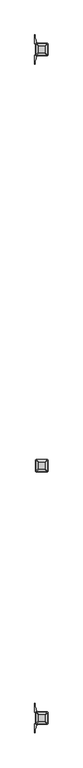
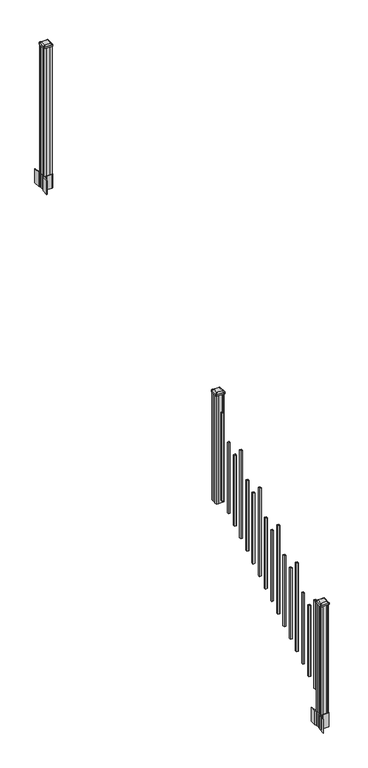
"""IFC4 building model written with IfcOpenShell, lengths in millimetres: railing geometry."""

import ifcopenshell
import ifcopenshell.guid

model = None  # the IFC model being written
_history = None  # IfcOwnerHistory: only IFC2X3 demands one
_inside = {}  # id of a spatial element -> (the spatial element, [elements in it])
_under = {}  # id of a project, library or spatial element -> (it, [spatial elements below it])
_declared = {}  # id of a project -> (the project, [libraries it declares])
_typed = {}  # id of a type object -> (the type object, [elements of that type])
_made_of = {}  # id of a material, layer set ... -> (it, [elements and type objects made of it])


def new_model(schema):
    """Start an empty IFC model of exactly this schema.

    Asked for "IFC4X3", IfcOpenShell would pick the latest addendum, in which some entities
    have other attributes; the version numbers below select the first issue.
    IFC2X3 requires an IfcOwnerHistory on every rooted entity: one is made here for all.
    """
    global model, _history
    if schema == "IFC4X3":
        model = ifcopenshell.file(schema_version=(4, 3, 0, 0))
    else:
        model = ifcopenshell.file(schema=schema)
    _inside.clear()
    _under.clear()
    _declared.clear()
    _typed.clear()
    _made_of.clear()
    _history = None
    if model.schema == "IFC2X3":
        org = make("IfcOrganization", Name="unknown")
        user = make(
            "IfcPersonAndOrganization",
            ThePerson=make("IfcPerson", FamilyName="unknown"),
            TheOrganization=org,
        )
        app = make(
            "IfcApplication",
            ApplicationDeveloper=org,
            Version="unknown",
            ApplicationFullName="unknown",
            ApplicationIdentifier="unknown",
        )
        _history = make(
            "IfcOwnerHistory",
            OwningUser=user,
            OwningApplication=app,
            ChangeAction="ADDED",
            CreationDate=0,
        )
    return model


def make(cls, **values):
    """One entity of the class cls with the attributes given. An attribute that is None is left unset."""
    return model.create_entity(
        cls, **{name: value for name, value in values.items() if value is not None}
    )


def rooted(cls, **values):
    """An entity with a GlobalId (a new one), such as an element, a storey or a relation."""
    return make(cls, GlobalId=ifcopenshell.guid.new(), OwnerHistory=_history, **values)


def si_unit(unit_type, name, prefix=None):
    """IfcSIUnit, for example si_unit("LENGTHUNIT", "METRE", prefix="MILLI")."""
    return make("IfcSIUnit", UnitType=unit_type, Prefix=prefix, Name=name)


def assignment(units):
    """IfcUnitAssignment: the units of a project."""
    return None if units is None else make("IfcUnitAssignment", Units=units)


def point(xyz):
    """IfcCartesianPoint."""
    return None if xyz is None else make("IfcCartesianPoint", Coordinates=xyz)


def direction(xyz):
    """IfcDirection."""
    return None if xyz is None else make("IfcDirection", DirectionRatios=xyz)


def frame(location, z_axis=None, x_axis=None):
    """IfcAxis2Placement3D, a coordinate frame: its origin and axes. An axis left out is left unset."""
    return make(
        "IfcAxis2Placement3D",
        Location=point(location),
        Axis=direction(z_axis),
        RefDirection=direction(x_axis),
    )


def frame_2d(location, x_axis=None):
    """IfcAxis2Placement2D, a coordinate frame in the plane: its origin and x axis."""
    return make(
        "IfcAxis2Placement2D", Location=point(location), RefDirection=direction(x_axis)
    )


def origin():
    """The frame at (0, 0, 0) with its axes left unset."""
    return frame((0.0, 0.0, 0.0))


def place(relative_to, where):
    """IfcLocalPlacement: puts the frame where relative to a parent placement (None: the world)."""
    return make(
        "IfcLocalPlacement", PlacementRelTo=relative_to, RelativePlacement=where
    )


def context(
    kind, dimensions, precision=None, world=None, true_north=None, identifier=None
):
    """IfcGeometricRepresentationContext, for example the 3D "Model" context."""
    return make(
        "IfcGeometricRepresentationContext",
        ContextIdentifier=identifier,
        ContextType=kind,
        CoordinateSpaceDimension=dimensions,
        Precision=precision,
        WorldCoordinateSystem=world,
        TrueNorth=true_north,
    )


def project(units=None, contexts=None):
    """IfcProject with its units and contexts."""
    return rooted(
        "IfcProject",
        Name="project",
        RepresentationContexts=contexts,
        UnitsInContext=assignment(units),
    )


def spatial(cls, under=None, at=None, **own):
    """A site, building, storey or space (cls), placed at a placement, below another one or the project."""
    s = rooted(cls, ObjectPlacement=at, **own)
    if under is not None:
        _under.setdefault(under.id(), (under, []))[1].append(s)
    return s


def polyline(points):
    """IfcPolyline through the points."""
    return make("IfcPolyline", Points=[point(p) for p in points])


def circle_curve(where, radius):
    """IfcCircle in the frame where."""
    return make("IfcCircle", Position=where, Radius=radius)


def trimmed(basis, trim1, trim2, sense, master):
    """IfcTrimmedCurve: the piece of a basis curve between two trims."""
    return make(
        "IfcTrimmedCurve",
        BasisCurve=basis,
        Trim1=trim1,
        Trim2=trim2,
        SenseAgreement=sense,
        MasterRepresentation=master,
    )


def segment(curve, same_sense, transition):
    """IfcCompositeCurveSegment."""
    return make(
        "IfcCompositeCurveSegment",
        Transition=transition,
        SameSense=same_sense,
        ParentCurve=curve,
    )


def composite_curve(segments, self_intersect=None):
    """IfcCompositeCurve: segments joined end to end."""
    return make("IfcCompositeCurve", Segments=segments, SelfIntersect=self_intersect)


def outline(outer, holes=None, kind="AREA"):
    """IfcArbitraryClosedProfileDef: a profile drawn as a closed curve; with holes, ...WithVoids."""
    if holes is None:
        return make("IfcArbitraryClosedProfileDef", ProfileType=kind, OuterCurve=outer)
    return make(
        "IfcArbitraryProfileDefWithVoids",
        ProfileType=kind,
        OuterCurve=outer,
        InnerCurves=holes,
    )


def extrude(swept, where, along, depth):
    """IfcExtrudedAreaSolid: the profile swept, set in the frame where, extruded along a direction by depth."""
    return make(
        "IfcExtrudedAreaSolid",
        SweptArea=swept,
        Position=where,
        ExtrudedDirection=direction(along),
        Depth=depth,
    )


def shape(context_of_items, identifier, shape_type, items):
    """IfcShapeRepresentation: the items that make up one representation, for example the "Body"."""
    return make(
        "IfcShapeRepresentation",
        ContextOfItems=context_of_items,
        RepresentationIdentifier=identifier,
        RepresentationType=shape_type,
        Items=items,
    )


def source(mapping_origin, context_of_items, identifier, shape_type, items):
    """IfcRepresentationMap: a shape defined once, which mapped items show again and again."""
    return make(
        "IfcRepresentationMap",
        MappingOrigin=mapping_origin,
        MappedRepresentation=shape(context_of_items, identifier, shape_type, items),
    )


def transform(
    local_origin,
    x_axis=None,
    y_axis=None,
    z_axis=None,
    scale=None,
    scale2=None,
    scale3=None,
    uniform=True,
):
    """IfcCartesianTransformationOperator3D, or its non-uniform kind. x_axis, y_axis, z_axis: its Axis1, 2, 3."""
    if uniform:
        return make(
            "IfcCartesianTransformationOperator3D",
            Axis1=direction(x_axis),
            Axis2=direction(y_axis),
            LocalOrigin=point(local_origin),
            Scale=scale,
            Axis3=direction(z_axis),
        )
    return make(
        "IfcCartesianTransformationOperator3DnonUniform",
        Axis1=direction(x_axis),
        Axis2=direction(y_axis),
        LocalOrigin=point(local_origin),
        Scale=scale,
        Axis3=direction(z_axis),
        Scale2=scale2,
        Scale3=scale3,
    )


def mapped(mapping_source, mapping_target):
    """IfcMappedItem: shows the shape of a source again, moved by a transform."""
    return make(
        "IfcMappedItem", MappingSource=mapping_source, MappingTarget=mapping_target
    )


def made_of(thing, what):
    """Note that an element or type object is made of a material, layer set ...; save() writes the relation."""
    if what is not None:
        _made_of.setdefault(what.id(), (what, []))[1].append(thing)
    return thing


def element(
    cls,
    number,
    at=None,
    inside=None,
    cuts=None,
    type_object=None,
    material=None,
    context=None,
    identifier="Body",
    shape_type=None,
    held_by="IfcProductDefinitionShape",
    body=None,
    shapes=None,
    **own,
):
    """One element of the class cls, such as IfcWall. Its Tag is "e" and its number.

    at: its placement. inside: the storey or other place that contains it. cuts: it is an
    opening in that element (IfcRelVoidsElement). A single representation is given by context,
    identifier, shape_type and body (its items); several are given by shapes. held_by: the class
    of the entity that holds the representations. save() writes the other relations.
    """
    e = rooted(cls, Tag="e%d" % number, ObjectPlacement=at, **own)
    if body is not None:
        shapes = [shape(context, identifier, shape_type, body)]
    if shapes is not None:
        e.Representation = make(held_by, Representations=shapes)
    if inside is not None:
        _inside.setdefault(inside.id(), (inside, []))[1].append(e)
    if cuts is not None:
        rooted(
            "IfcRelVoidsElement", RelatingBuildingElement=cuts, RelatedOpeningElement=e
        )
    if type_object is not None:
        _typed.setdefault(type_object.id(), (type_object, []))[1].append(e)
    return made_of(e, material)


def aggregate(whole, parts):
    """IfcRelAggregates: a whole, such as a stair, and the parts it consists of."""
    return rooted("IfcRelAggregates", RelatingObject=whole, RelatedObjects=parts)


def save(model, path):
    """Write the relations noted so far, then the file.

    IfcRelAggregates (storeys below a building ...), IfcRelContainedInSpatialStructure (elements
    in a storey), IfcRelDefinesByType, IfcRelAssociatesMaterial and IfcRelDeclares: one each for
    every whole, place, type object, material and project.
    """
    for whole, parts in _under.values():
        aggregate(whole, parts)
    for where, things in _inside.values():
        rooted(
            "IfcRelContainedInSpatialStructure",
            RelatedElements=things,
            RelatingStructure=where,
        )
    for kind, things in _typed.values():
        rooted("IfcRelDefinesByType", RelatedObjects=things, RelatingType=kind)
    for what, things in _made_of.values():
        rooted("IfcRelAssociatesMaterial", RelatedObjects=things, RelatingMaterial=what)
    for by, libraries in _declared.values():
        rooted("IfcRelDeclares", RelatingContext=by, RelatedDefinitions=libraries)
    model.write(path)


def plane_surface(at):
    """IfcPlane: the flat surface through the origin of the frame at, square to its z axis."""
    return make("IfcPlane", Position=at)


def extruded_surface(curve, direction_of_extrusion, depth):
    """IfcSurfaceOfLinearExtrusion: the curve pushed along a direction by depth."""
    return make(
        "IfcSurfaceOfLinearExtrusion",
        SweptCurve=make("IfcArbitraryOpenProfileDef", ProfileType="CURVE", Curve=curve),
        ExtrudedDirection=direction(direction_of_extrusion),
        Depth=depth,
    )


def advanced_brep(points, edges, surfaces, faces):
    """IfcAdvancedBrep: a solid bounded by faces that lie on surfaces and meet in shared edges.

    An edge is (start, end): straight between two places in points (the first is 0);
    or (start, end, curve); or (start, end, curve, False) where it runs against its curve.
    A face is (place in surfaces, loops), or (place, loops, False) where it looks against
    its surface's normal. A loop lists edges by number (the first is 1), with a minus sign
    where the edge is run from its end to its start. The first loop is the outer one.
    """
    corners = [point(p) for p in points]
    vertices = [make("IfcVertexPoint", VertexGeometry=c) for c in corners]
    made = []
    for start, end, *more in edges:
        made.append(
            make(
                "IfcEdgeCurve",
                EdgeStart=vertices[start],
                EdgeEnd=vertices[end],
                EdgeGeometry=more[0] if more else make("IfcPolyline", Points=[corners[start], corners[end]]),
                SameSense=more[1] if len(more) > 1 else True,
            )
        )
    hull = []
    for where, loops, *sense in faces:
        bounds = []
        for j, loop in enumerate(loops):
            ring = [make("IfcOrientedEdge", EdgeElement=made[abs(k) - 1], Orientation=k > 0) for k in loop]
            bounds.append(
                make(
                    "IfcFaceOuterBound" if j == 0 else "IfcFaceBound",
                    Bound=make("IfcEdgeLoop", EdgeList=ring),
                    Orientation=True,
                )
            )
        hull.append(make("IfcAdvancedFace", Bounds=bounds, FaceSurface=surfaces[where], SameSense=sense[0] if sense else True))
    return make("IfcAdvancedBrep", Outer=make("IfcClosedShell", CfsFaces=hull))


def railing_3c290ba8(model_context):
    return source(origin(), model_context, "Body", "SolidModel", [
        advanced_brep(
        [(9677.4407728, -127566.6027203, 2547.109263), (9729.0345228, -127566.6027203, 2547.109263), (9732.2095228, -127563.4277203, 2547.109263), (9732.2095228, -127511.8339703, 2547.109263), (9729.0345228, -127508.6589703, 2547.109263), (9677.4407728, -127508.6589703, 2547.109263), (9674.2657728, -127511.8339703, 2547.109263), (9674.2657728, -127563.4277203, 2547.109263), (9661.1688978, -127582.8745953, 2535.806263), (9657.9938978, -127579.6995953, 2535.806263), (9657.9938978, -127495.5620953, 2535.806263), (9661.1688978, -127492.3870953, 2535.806263), (9745.3063978, -127492.3870953, 2535.806263), (9748.4813978, -127495.5620953, 2535.806263), (9748.4813978, -127579.6995953, 2535.806263), (9745.3063978, -127582.8745953, 2535.806263)],
        [
            (0, 1),
            (1, 2, circle_curve(frame((9729.0345228, -127563.4277203, 2547.109263), z_axis=(0.0, 0.0, 1.0), x_axis=(0.0, 1.0, 0.0)), 3.175)),
            (2, 3),
            (3, 4, circle_curve(frame((9729.0345228, -127511.8339703, 2547.109263), z_axis=(0.0, 0.0, 1.0), x_axis=(0.0, 1.0, 0.0)), 3.175)),
            (4, 5),
            (5, 6, circle_curve(frame((9677.4407728, -127511.8339703, 2547.109263), z_axis=(0.0, 0.0, 1.0), x_axis=(0.0, 1.0, 0.0)), 3.175)),
            (6, 7),
            (7, 0, circle_curve(frame((9677.4407728, -127563.4277203, 2547.109263), z_axis=(0.0, 0.0, 1.0), x_axis=(0.0, 1.0, 0.0)), 3.175)),
            (8, 9, circle_curve(frame((9661.1688978, -127579.6995953, 2535.806263), z_axis=(0.0, 0.0, -1.0), x_axis=(0.0, 1.0, 0.0)), 3.175)),
            (9, 10),
            (10, 11, circle_curve(frame((9661.1688978, -127495.5620953, 2535.806263), z_axis=(0.0, 0.0, -1.0), x_axis=(0.0, 1.0, 0.0)), 3.175)),
            (11, 12),
            (12, 13, circle_curve(frame((9745.3063978, -127495.5620953, 2535.806263), z_axis=(0.0, 0.0, -1.0), x_axis=(0.0, 1.0, 0.0)), 3.175)),
            (13, 14),
            (14, 15, circle_curve(frame((9745.3063978, -127579.6995953, 2535.806263), z_axis=(0.0, 0.0, -1.0), x_axis=(0.0, 1.0, 0.0)), 3.175)),
            (15, 8),
            (8, 0),
            (7, 9),
            (6, 10),
            (5, 11),
            (4, 12),
            (3, 13),
            (2, 14),
            (1, 15),
        ],
        [
            plane_surface(frame((9703.2376478, -127537.6308453, 2547.109263), z_axis=(0.0, 0.0, 1.0), x_axis=(-1.0, 0.0, 0.0))),
            plane_surface(frame((9703.2376478, -127537.6308453, 2535.806263), z_axis=(0.0, 0.0, -1.0), x_axis=(-1.0, 0.0, 0.0))),
            extruded_surface(trimmed(circle_curve(frame((9677.4407728, -127563.4277203, 2547.109263), z_axis=(0.0, 0.0, -1.0), x_axis=(0.0, 1.0, 0.0)), 3.175), [point((9677.4407728, -127566.6027203, 2547.109263))], [point((9674.2657728, -127563.4277203, 2547.109263))], True, "CARTESIAN"), (-16.271875000000364, -16.27187500000582, -11.302999999999884), 25.637972638870036),
            plane_surface(frame((9657.9938978, -127537.6308453, 2535.806263), z_axis=(-0.5705009161540778, 0.0, 0.8212969649690408), x_axis=(0.0, 1.0, 0.0))),
            extruded_surface(trimmed(circle_curve(frame((9677.4407728, -127511.8339703, 2547.109263), z_axis=(0.0, 0.0, -1.0), x_axis=(0.0, 1.0, 0.0)), 3.175), [point((9674.2657728, -127511.8339703, 2547.109263))], [point((9677.4407728, -127508.6589703, 2547.109263))], True, "CARTESIAN"), (-16.271875000000364, 16.27187499999127, -11.302999999999884), 25.637972638860802),
            plane_surface(frame((9703.2376478, -127492.3870953, 2535.806263), z_axis=(0.0, 0.5705009161540291, 0.8212969649690747), x_axis=(1.0, 0.0, 0.0))),
            extruded_surface(trimmed(circle_curve(frame((9729.0345228, -127511.8339703, 2547.109263), z_axis=(0.0, 0.0, -1.0), x_axis=(0.0, 1.0, 0.0)), 3.175), [point((9729.0345228, -127508.6589703, 2547.109263))], [point((9732.2095228, -127511.8339703, 2547.109263))], True, "CARTESIAN"), (16.271874999998545, 16.27187499999127, -11.302999999999884), 25.637972638859644),
            plane_surface(frame((9748.4813978, -127537.6308453, 2535.806263), z_axis=(0.5705009161540142, 0.0, 0.8212969649690851), x_axis=(0.0, -1.0, 0.0))),
            extruded_surface(trimmed(circle_curve(frame((9729.0345228, -127563.4277203, 2547.109263), z_axis=(0.0, 0.0, -1.0), x_axis=(0.0, 1.0, 0.0)), 3.175), [point((9732.2095228, -127563.4277203, 2547.109263))], [point((9729.0345228, -127566.6027203, 2547.109263))], True, "CARTESIAN"), (16.271874999998545, -16.27187500000582, -11.302999999999884), 25.63797263886888),
            plane_surface(frame((9703.2376478, -127582.8745953, 2535.806263), z_axis=(0.0, -0.570500916154034, 0.8212969649690713), x_axis=(-1.0, 0.0, 0.0))),
        ],
        [
            (0, [[1, 2, 3, 4, 5, 6, 7, 8]]),
            (1, [[9, 10, 11, 12, 13, 14, 15, 16]]),
            (2, [[17, -8, 18, -9]]),
            (3, [[-18, -7, 19, -10]]),
            (4, [[-19, -6, 20, -11]]),
            (5, [[-20, -5, 21, -12]]),
            (6, [[-21, -4, 22, -13]]),
            (7, [[-22, -3, 23, -14]]),
            (8, [[-23, -2, 24, -15]]),
            (9, [[-24, -1, -17, -16]]),
        ],
    ),
        extrude(outline(composite_curve([segment(trimmed(circle_curve(frame_2d((9661.1688978, -127579.6995953)), 3.175), [point((9661.1688978, -127582.8745953))], [point((9657.9938978, -127579.6995953))], False, "CARTESIAN"), True, "CONTINUOUS"), segment(polyline([(9657.9938978, -127579.6995953), (9657.9938978, -127495.5620953)]), True, "CONTINUOUS"), segment(trimmed(circle_curve(frame_2d((9661.1688978, -127495.5620953)), 3.175), [point((9657.9938978, -127495.5620953))], [point((9661.1688978, -127492.3870953))], False, "CARTESIAN"), True, "CONTINUOUS"), segment(polyline([(9661.1688978, -127492.3870953), (9745.3063978, -127492.3870953)]), True, "CONTINUOUS"), segment(trimmed(circle_curve(frame_2d((9745.3063978, -127495.5620953)), 3.175), [point((9745.3063978, -127492.3870953))], [point((9748.4813978, -127495.5620953))], False, "CARTESIAN"), True, "CONTINUOUS"), segment(polyline([(9748.4813978, -127495.5620953), (9748.4813978, -127579.6995953)]), True, "CONTINUOUS"), segment(trimmed(circle_curve(frame_2d((9745.3063978, -127579.6995953)), 3.175), [point((9748.4813978, -127579.6995953))], [point((9745.3063978, -127582.8745953))], False, "CARTESIAN"), True, "CONTINUOUS"), segment(polyline([(9745.3063978, -127582.8745953), (9661.1688978, -127582.8745953)]), True, "CONTINUOUS")], self_intersect=False)), frame((0.0, 0.0, 2518.534263), z_axis=(0.0, 0.0, 1.0), x_axis=(1.0, 0.0, 0.0)), (0.0, 0.0, 1.0), 17.272),
        extrude(outline(polyline([(9663.5501478, -127578.9058453), (9661.9626478, -127577.3183453), (9661.9626478, -127557.6968453), (9663.5501478, -127556.9348453), (9663.5501478, -127518.3268453), (9661.9626478, -127517.5648453), (9661.9626478, -127497.9433453), (9663.5501478, -127496.3558453), (9683.1716478, -127496.3558453), (9683.9336478, -127497.9433453), (9722.5416478, -127497.9433453), (9723.3036478, -127496.3558453), (9742.9251478, -127496.3558453), (9744.5126478, -127497.9433453), (9744.5126478, -127517.5648453), (9742.9251478, -127518.3268453), (9742.9251478, -127556.9348453), (9744.5126478, -127557.6968453), (9744.5126478, -127577.3183453), (9742.9251478, -127578.9058453), (9723.3036478, -127578.9058453), (9722.5416478, -127577.3183453), (9683.9336478, -127577.3183453), (9683.1716478, -127578.9058453), (9663.5501478, -127578.9058453)])), frame((0.0, 0.0, 1334.77), z_axis=(0.0, 0.0, 1.0), x_axis=(1.0, 0.0, 0.0)), (0.0, 0.0, 1.0), 1183.764263),
        extrude(outline(polyline([(9712.7626478, -127628.1818453), (9693.7126478, -127628.1818453), (9693.7126478, -127609.1318453), (9712.7626478, -127609.1318453), (9712.7626478, -127628.1818453)]), holes=[polyline([(9712.3657728, -127627.7849703), (9712.3657728, -127609.5287203), (9694.1095228, -127609.5287203), (9694.1095228, -127627.7849703), (9712.3657728, -127627.7849703)])]), frame((0.0, 0.0, 1385.7246281), z_axis=(0.0, 0.0, 1.0), x_axis=(1.0, 0.0, 0.0)), (0.0, 0.0, 1.0), 965.2041219),
        extrude(outline(polyline([(9712.7626478, -127739.4338453), (9693.7126478, -127739.4338453), (9693.7126478, -127720.3838453), (9712.7626478, -127720.3838453), (9712.7626478, -127739.4338453)]), holes=[polyline([(9712.3657728, -127739.0369703), (9712.3657728, -127720.7807203), (9694.1095228, -127720.7807203), (9694.1095228, -127739.0369703), (9712.3657728, -127739.0369703)])]), frame((0.0, 0.0, 1316.1921281), z_axis=(0.0, 0.0, 1.0), x_axis=(1.0, 0.0, 0.0)), (0.0, 0.0, 1.0), 774.7041219),
        extrude(outline(polyline([(9712.7626478, -127850.6858453), (9693.7126478, -127850.6858453), (9693.7126478, -127831.6358453), (9712.7626478, -127831.6358453), (9712.7626478, -127850.6858453)]), holes=[polyline([(9712.3657728, -127850.2889703), (9712.3657728, -127832.0327203), (9694.1095228, -127832.0327203), (9694.1095228, -127850.2889703), (9712.3657728, -127850.2889703)])]), frame((0.0, 0.0, 1246.6596281), z_axis=(0.0, 0.0, 1.0), x_axis=(1.0, 0.0, 0.0)), (0.0, 0.0, 1.0), 774.7041219),
        extrude(outline(polyline([(9712.7626478, -127961.9378453), (9693.7126478, -127961.9378453), (9693.7126478, -127942.8878453), (9712.7626478, -127942.8878453), (9712.7626478, -127961.9378453)]), holes=[polyline([(9712.3657728, -127961.5409703), (9712.3657728, -127943.2847203), (9694.1095228, -127943.2847203), (9694.1095228, -127961.5409703), (9712.3657728, -127961.5409703)])]), frame((0.0, 0.0, 1177.1271281), z_axis=(0.0, 0.0, 1.0), x_axis=(1.0, 0.0, 0.0)), (0.0, 0.0, 1.0), 965.2041219),
        extrude(outline(polyline([(9712.7626478, -128073.1898453), (9693.7126478, -128073.1898453), (9693.7126478, -128054.1398453), (9712.7626478, -128054.1398453), (9712.7626478, -128073.1898453)]), holes=[polyline([(9712.3657728, -128072.7929703), (9712.3657728, -128054.5367203), (9694.1095228, -128054.5367203), (9694.1095228, -128072.7929703), (9712.3657728, -128072.7929703)])]), frame((0.0, 0.0, 1107.5946281), z_axis=(0.0, 0.0, 1.0), x_axis=(1.0, 0.0, 0.0)), (0.0, 0.0, 1.0), 774.7041219),
        extrude(outline(polyline([(9712.7626478, -128184.4418453), (9693.7126478, -128184.4418453), (9693.7126478, -128165.3918453), (9712.7626478, -128165.3918453), (9712.7626478, -128184.4418453)]), holes=[polyline([(9712.3657728, -128184.0449703), (9712.3657728, -128165.7887203), (9694.1095228, -128165.7887203), (9694.1095228, -128184.0449703), (9712.3657728, -128184.0449703)])]), frame((0.0, 0.0, 1038.0621281), z_axis=(0.0, 0.0, 1.0), x_axis=(1.0, 0.0, 0.0)), (0.0, 0.0, 1.0), 774.7041219),
        extrude(outline(polyline([(9712.7626478, -128295.6938453), (9693.7126478, -128295.6938453), (9693.7126478, -128276.6438453), (9712.7626478, -128276.6438453), (9712.7626478, -128295.6938453)]), holes=[polyline([(9712.3657728, -128295.2969703), (9712.3657728, -128277.0407203), (9694.1095228, -128277.0407203), (9694.1095228, -128295.2969703), (9712.3657728, -128295.2969703)])]), frame((0.0, 0.0, 968.5296281), z_axis=(0.0, 0.0, 1.0), x_axis=(1.0, 0.0, 0.0)), (0.0, 0.0, 1.0), 965.2041219),
        extrude(outline(polyline([(9712.7626478, -128406.9458453), (9693.7126478, -128406.9458453), (9693.7126478, -128387.8958453), (9712.7626478, -128387.8958453), (9712.7626478, -128406.9458453)]), holes=[polyline([(9712.3657728, -128406.5489703), (9712.3657728, -128388.2927203), (9694.1095228, -128388.2927203), (9694.1095228, -128406.5489703), (9712.3657728, -128406.5489703)])]), frame((0.0, 0.0, 898.9971281), z_axis=(0.0, 0.0, 1.0), x_axis=(1.0, 0.0, 0.0)), (0.0, 0.0, 1.0), 774.7041219),
        extrude(outline(polyline([(9712.7626478, -128518.1978453), (9693.7126478, -128518.1978453), (9693.7126478, -128499.1478453), (9712.7626478, -128499.1478453), (9712.7626478, -128518.1978453)]), holes=[polyline([(9712.3657728, -128517.8009703), (9712.3657728, -128499.5447203), (9694.1095228, -128499.5447203), (9694.1095228, -128517.8009703), (9712.3657728, -128517.8009703)])]), frame((0.0, 0.0, 829.4646281), z_axis=(0.0, 0.0, 1.0), x_axis=(1.0, 0.0, 0.0)), (0.0, 0.0, 1.0), 774.7041219),
        extrude(outline(polyline([(9712.7626478, -128629.4498453), (9693.7126478, -128629.4498453), (9693.7126478, -128610.3998453), (9712.7626478, -128610.3998453), (9712.7626478, -128629.4498453)]), holes=[polyline([(9712.3657728, -128629.0529703), (9712.3657728, -128610.7967203), (9694.1095228, -128610.7967203), (9694.1095228, -128629.0529703), (9712.3657728, -128629.0529703)])]), frame((0.0, 0.0, 759.9321281), z_axis=(0.0, 0.0, 1.0), x_axis=(1.0, 0.0, 0.0)), (0.0, 0.0, 1.0), 965.2041219),
        extrude(outline(polyline([(9712.7626478, -128740.7018453), (9693.7126478, -128740.7018453), (9693.7126478, -128721.6518453), (9712.7626478, -128721.6518453), (9712.7626478, -128740.7018453)]), holes=[polyline([(9712.3657728, -128740.3049703), (9712.3657728, -128722.0487203), (9694.1095228, -128722.0487203), (9694.1095228, -128740.3049703), (9712.3657728, -128740.3049703)])]), frame((0.0, 0.0, 690.3996281), z_axis=(0.0, 0.0, 1.0), x_axis=(1.0, 0.0, 0.0)), (0.0, 0.0, 1.0), 774.7041219),
        extrude(outline(polyline([(9712.7626478, -128851.9538453), (9693.7126478, -128851.9538453), (9693.7126478, -128832.9038453), (9712.7626478, -128832.9038453), (9712.7626478, -128851.9538453)]), holes=[polyline([(9712.3657728, -128851.5569703), (9712.3657728, -128833.3007203), (9694.1095228, -128833.3007203), (9694.1095228, -128851.5569703), (9712.3657728, -128851.5569703)])]), frame((0.0, 0.0, 620.8671281), z_axis=(0.0, 0.0, 1.0), x_axis=(1.0, 0.0, 0.0)), (0.0, 0.0, 1.0), 774.7041219),
        extrude(outline(polyline([(9712.7626478, -128963.2058453), (9693.7126478, -128963.2058453), (9693.7126478, -128944.1558453), (9712.7626478, -128944.1558453), (9712.7626478, -128963.2058453)]), holes=[polyline([(9712.3657728, -128962.8089703), (9712.3657728, -128944.5527203), (9694.1095228, -128944.5527203), (9694.1095228, -128962.8089703), (9712.3657728, -128962.8089703)])]), frame((0.0, 0.0, 551.3346281), z_axis=(0.0, 0.0, 1.0), x_axis=(1.0, 0.0, 0.0)), (0.0, 0.0, 1.0), 965.2041219),
        extrude(outline(polyline([(9712.7626478, -129074.4578453), (9693.7126478, -129074.4578453), (9693.7126478, -129055.4078453), (9712.7626478, -129055.4078453), (9712.7626478, -129074.4578453)]), holes=[polyline([(9712.3657728, -129074.0609703), (9712.3657728, -129055.8047203), (9694.1095228, -129055.8047203), (9694.1095228, -129074.0609703), (9712.3657728, -129074.0609703)])]), frame((0.0, 0.0, 481.8021281), z_axis=(0.0, 0.0, 1.0), x_axis=(1.0, 0.0, 0.0)), (0.0, 0.0, 1.0), 774.7041219),
        extrude(outline(polyline([(9712.7626478, -129185.7098453), (9693.7126478, -129185.7098453), (9693.7126478, -129166.6598453), (9712.7626478, -129166.6598453), (9712.7626478, -129185.7098453)]), holes=[polyline([(9712.3657728, -129185.3129703), (9712.3657728, -129167.0567203), (9694.1095228, -129167.0567203), (9694.1095228, -129185.3129703), (9712.3657728, -129185.3129703)])]), frame((0.0, 0.0, 412.2696281), z_axis=(0.0, 0.0, 1.0), x_axis=(1.0, 0.0, 0.0)), (0.0, 0.0, 1.0), 774.7041219),
        extrude(outline(polyline([(9712.7626478, -129296.9618453), (9693.7126478, -129296.9618453), (9693.7126478, -129277.9118453), (9712.7626478, -129277.9118453), (9712.7626478, -129296.9618453)]), holes=[polyline([(9712.3657728, -129296.5649703), (9712.3657728, -129278.3087203), (9694.1095228, -129278.3087203), (9694.1095228, -129296.5649703), (9712.3657728, -129296.5649703)])]), frame((0.0, 0.0, 342.7371281), z_axis=(0.0, 0.0, 1.0), x_axis=(1.0, 0.0, 0.0)), (0.0, 0.0, 1.0), 965.2041219),
        extrude(outline(polyline([(9663.5501478, -124491.5358453), (9661.9626478, -124489.9483453), (9661.9626478, -124470.3268453), (9663.5501478, -124469.5648453), (9663.5501478, -124430.9568453), (9661.9626478, -124430.1948453), (9661.9626478, -124410.5733453), (9663.5501478, -124408.9858453), (9683.1716478, -124408.9858453), (9683.9336478, -124410.5733453), (9722.5416478, -124410.5733453), (9723.3036478, -124408.9858453), (9742.9251478, -124408.9858453), (9744.5126478, -124410.5733453), (9744.5126478, -124430.1948453), (9742.9251478, -124430.9568453), (9742.9251478, -124469.5648453), (9744.5126478, -124470.3268453), (9744.5126478, -124489.9483453), (9742.9251478, -124491.5358453), (9723.3036478, -124491.5358453), (9722.5416478, -124489.9483453), (9683.9336478, -124489.9483453), (9683.1716478, -124491.5358453), (9663.5501478, -124491.5358453)])), frame((0.0, 0.0, 3048.0), z_axis=(0.0, 0.0, 1.0), x_axis=(1.0, 0.0, 0.0)), (0.0, 0.0, 1.0), 1400.140513),
        extrude(outline(composite_curve([segment(polyline([(9745.9731478, -124467.6469401), (9747.5606478, -124468.4089401), (9747.5606478, -124491.2108682), (9744.1876707, -124494.5838453), (9682.7279999, -124494.5838453), (9682.7279999, -124495.5045953), (9677.4104561, -124495.5045953), (9677.4104561, -124496.95885), (9672.3259264, -124496.95885), (9672.3259264, -124498.2428738), (9670.6586541, -124498.2428738)]), True, "CONTINUOUS"), segment(trimmed(circle_curve(frame_2d((9670.6586541, -124505.3023337)), 7.0594599), [point((9670.6586541, -124498.2428738))], [point((9663.8913912, -124503.292327))], True, "CARTESIAN"), True, "CONTINUOUS"), segment(polyline([(9663.8913912, -124503.292327), (9656.0171969, -124529.8030561)]), True, "CONTINUOUS"), segment(trimmed(circle_curve(frame_2d((9710.8017103, -124546.0751057)), 57.15), [point((9656.0171969, -124529.8030561))], [point((9653.6517103, -124546.0751057))], True, "CARTESIAN"), True, "CONTINUOUS"), segment(polyline([(9653.6517103, -124546.0751057), (9653.6517103, -124558.0838453), (9650.6517103, -124558.0838453), (9650.6517103, -124492.9963453), (9658.9146478, -124481.658054), (9658.9146478, -124468.4089401), (9660.5021478, -124467.6469401), (9660.5021478, -124432.8747504), (9658.9146478, -124432.1127504), (9658.9146478, -124418.8636366), (9650.6517103, -124407.5253453), (9650.6517103, -124342.4378453), (9653.6517103, -124342.4378453), (9653.6517103, -124354.4465848)]), True, "CONTINUOUS"), segment(trimmed(circle_curve(frame_2d((9710.8017103, -124354.4465848)), 57.15), [point((9653.6517103, -124354.4465848))], [point((9656.0171969, -124370.7186345))], True, "CARTESIAN"), True, "CONTINUOUS"), segment(polyline([(9656.0171969, -124370.7186345), (9663.8913912, -124397.2293636)]), True, "CONTINUOUS"), segment(trimmed(circle_curve(frame_2d((9670.6586541, -124395.2193569)), 7.0594599), [point((9663.8913912, -124397.2293636))], [point((9670.6586541, -124402.2788168))], True, "CARTESIAN"), True, "CONTINUOUS"), segment(polyline([(9670.6586541, -124402.2788168), (9672.3259264, -124402.2788168), (9672.3259264, -124403.5628406), (9677.4104561, -124403.5628406), (9677.4104561, -124405.0170953), (9682.7279999, -124405.0170953), (9682.7279999, -124405.9378453), (9744.1876707, -124405.9378453), (9747.5606478, -124409.3108224), (9747.5606478, -124432.1127504), (9745.9731478, -124432.8747504), (9745.9731478, -124467.6469401)]), True, "CONTINUOUS")], self_intersect=False), holes=[polyline([(9661.9626478, -124410.5733453), (9661.9626478, -124489.9483453), (9663.5501478, -124491.5358453), (9700.4744304, -124491.5358453), (9742.9251478, -124491.5358453), (9744.5126478, -124489.9483453), (9744.5126478, -124410.5733453), (9742.9251478, -124408.9858453), (9700.4744304, -124408.9858453), (9663.5501478, -124408.9858453), (9661.9626478, -124410.5733453)])]), frame((0.0, 0.0, 2895.6), z_axis=(0.0, 0.0, 1.0), x_axis=(1.0, 0.0, 0.0)), (0.0, 0.0, 1.0), 152.4),
        advanced_brep(
        [(9677.4407728, -124479.2327203, 4476.715513), (9729.0345228, -124479.2327203, 4476.715513), (9732.2095228, -124476.0577203, 4476.715513), (9732.2095228, -124424.4639703, 4476.715513), (9729.0345228, -124421.2889703, 4476.715513), (9677.4407728, -124421.2889703, 4476.715513), (9674.2657728, -124424.4639703, 4476.715513), (9674.2657728, -124476.0577203, 4476.715513), (9661.1688978, -124495.5045953, 4465.412513), (9657.9938978, -124492.3295953, 4465.412513), (9657.9938978, -124408.1920953, 4465.412513), (9661.1688978, -124405.0170953, 4465.412513), (9745.3063978, -124405.0170953, 4465.412513), (9748.4813978, -124408.1920953, 4465.412513), (9748.4813978, -124492.3295953, 4465.412513), (9745.3063978, -124495.5045953, 4465.412513)],
        [
            (0, 1),
            (1, 2, circle_curve(frame((9729.0345228, -124476.0577203, 4476.715513), z_axis=(0.0, 0.0, 1.0), x_axis=(0.0, 1.0, 0.0)), 3.175)),
            (2, 3),
            (3, 4, circle_curve(frame((9729.0345228, -124424.4639703, 4476.715513), z_axis=(0.0, 0.0, 1.0), x_axis=(0.0, 1.0, 0.0)), 3.175)),
            (4, 5),
            (5, 6, circle_curve(frame((9677.4407728, -124424.4639703, 4476.715513), z_axis=(0.0, 0.0, 1.0), x_axis=(0.0, 1.0, 0.0)), 3.175)),
            (6, 7),
            (7, 0, circle_curve(frame((9677.4407728, -124476.0577203, 4476.715513), z_axis=(0.0, 0.0, 1.0), x_axis=(0.0, 1.0, 0.0)), 3.175)),
            (8, 9, circle_curve(frame((9661.1688978, -124492.3295953, 4465.412513), z_axis=(0.0, 0.0, -1.0), x_axis=(0.0, 1.0, 0.0)), 3.175)),
            (9, 10),
            (10, 11, circle_curve(frame((9661.1688978, -124408.1920953, 4465.412513), z_axis=(0.0, 0.0, -1.0), x_axis=(0.0, 1.0, 0.0)), 3.175)),
            (11, 12),
            (12, 13, circle_curve(frame((9745.3063978, -124408.1920953, 4465.412513), z_axis=(0.0, 0.0, -1.0), x_axis=(0.0, 1.0, 0.0)), 3.175)),
            (13, 14),
            (14, 15, circle_curve(frame((9745.3063978, -124492.3295953, 4465.412513), z_axis=(0.0, 0.0, -1.0), x_axis=(0.0, 1.0, 0.0)), 3.175)),
            (15, 8),
            (8, 0),
            (7, 9),
            (6, 10),
            (5, 11),
            (4, 12),
            (3, 13),
            (2, 14),
            (1, 15),
        ],
        [
            plane_surface(frame((9703.2376478, -124450.2608453, 4476.715513), z_axis=(0.0, 0.0, 1.0), x_axis=(-1.0, 0.0, 0.0))),
            plane_surface(frame((9703.2376478, -124450.2608453, 4465.412513), z_axis=(0.0, 0.0, -1.0), x_axis=(-1.0, 0.0, 0.0))),
            extruded_surface(trimmed(circle_curve(frame((9677.4407728, -124476.0577203, 4476.715513), z_axis=(0.0, 0.0, -1.0), x_axis=(0.0, 1.0, 0.0)), 3.175), [point((9677.4407728, -124479.2327203, 4476.715513))], [point((9674.2657728, -124476.0577203, 4476.715513))], True, "CARTESIAN"), (-16.271875000000364, -16.27187500000582, -11.302999999999884), 25.637972638870036),
            plane_surface(frame((9657.9938978, -124450.2608453, 4465.412513), z_axis=(-0.5705009161540685, 0.0, 0.8212969649690474), x_axis=(0.0, 1.0, 0.0))),
            extruded_surface(trimmed(circle_curve(frame((9677.4407728, -124424.4639703, 4476.715513), z_axis=(0.0, 0.0, -1.0), x_axis=(0.0, 1.0, 0.0)), 3.175), [point((9674.2657728, -124424.4639703, 4476.715513))], [point((9677.4407728, -124421.2889703, 4476.715513))], True, "CARTESIAN"), (-16.271875000000364, 16.27187500000582, -11.302999999999884), 25.637972638870036),
            plane_surface(frame((9703.2376478, -124405.0170953, 4465.412513), z_axis=(0.0, 0.5705009161540291, 0.8212969649690747), x_axis=(1.0, 0.0, 0.0))),
            extruded_surface(trimmed(circle_curve(frame((9729.0345228, -124424.4639703, 4476.715513), z_axis=(0.0, 0.0, -1.0), x_axis=(0.0, 1.0, 0.0)), 3.175), [point((9729.0345228, -124421.2889703, 4476.715513))], [point((9732.2095228, -124424.4639703, 4476.715513))], True, "CARTESIAN"), (16.271874999998545, 16.27187500000582, -11.302999999999884), 25.63797263886888),
            plane_surface(frame((9748.4813978, -124450.2608453, 4465.412513), z_axis=(0.5705009161540235, 0.0, 0.8212969649690786), x_axis=(0.0, -1.0, 0.0))),
            extruded_surface(trimmed(circle_curve(frame((9729.0345228, -124476.0577203, 4476.715513), z_axis=(0.0, 0.0, -1.0), x_axis=(0.0, 1.0, 0.0)), 3.175), [point((9732.2095228, -124476.0577203, 4476.715513))], [point((9729.0345228, -124479.2327203, 4476.715513))], True, "CARTESIAN"), (16.271874999998545, -16.27187500000582, -11.302999999999884), 25.63797263886888),
            plane_surface(frame((9703.2376478, -124495.5045953, 4465.412513), z_axis=(0.0, -0.570500916154034, 0.8212969649690713), x_axis=(-1.0, 0.0, 0.0))),
        ],
        [
            (0, [[1, 2, 3, 4, 5, 6, 7, 8]]),
            (1, [[9, 10, 11, 12, 13, 14, 15, 16]]),
            (2, [[17, -8, 18, -9]]),
            (3, [[-18, -7, 19, -10]]),
            (4, [[-19, -6, 20, -11]]),
            (5, [[-20, -5, 21, -12]]),
            (6, [[-21, -4, 22, -13]]),
            (7, [[-22, -3, 23, -14]]),
            (8, [[-23, -2, 24, -15]]),
            (9, [[-24, -1, -17, -16]]),
        ],
    ),
        extrude(outline(composite_curve([segment(trimmed(circle_curve(frame_2d((9661.1688978, -124492.3295953)), 3.175), [point((9661.1688978, -124495.5045953))], [point((9657.9938978, -124492.3295953))], False, "CARTESIAN"), True, "CONTINUOUS"), segment(polyline([(9657.9938978, -124492.3295953), (9657.9938978, -124408.1920953)]), True, "CONTINUOUS"), segment(trimmed(circle_curve(frame_2d((9661.1688978, -124408.1920953)), 3.175), [point((9657.9938978, -124408.1920953))], [point((9661.1688978, -124405.0170953))], False, "CARTESIAN"), True, "CONTINUOUS"), segment(polyline([(9661.1688978, -124405.0170953), (9745.3063978, -124405.0170953)]), True, "CONTINUOUS"), segment(trimmed(circle_curve(frame_2d((9745.3063978, -124408.1920953)), 3.175), [point((9745.3063978, -124405.0170953))], [point((9748.4813978, -124408.1920953))], False, "CARTESIAN"), True, "CONTINUOUS"), segment(polyline([(9748.4813978, -124408.1920953), (9748.4813978, -124492.3295953)]), True, "CONTINUOUS"), segment(trimmed(circle_curve(frame_2d((9745.3063978, -124492.3295953)), 3.175), [point((9748.4813978, -124492.3295953))], [point((9745.3063978, -124495.5045953))], False, "CARTESIAN"), True, "CONTINUOUS"), segment(polyline([(9745.3063978, -124495.5045953), (9661.1688978, -124495.5045953)]), True, "CONTINUOUS")], self_intersect=False)), frame((0.0, 0.0, 4448.140513), z_axis=(0.0, 0.0, 1.0), x_axis=(1.0, 0.0, 0.0)), (0.0, 0.0, 1.0), 17.272),
        extrude(outline(composite_curve([segment(polyline([(9745.9731478, -129427.2509401), (9747.5606478, -129428.0129401), (9747.5606478, -129450.8148682), (9744.1876707, -129454.1878453), (9682.7279999, -129454.1878453), (9682.7279999, -129455.1085953), (9677.4104561, -129455.1085953), (9677.4104561, -129456.56285), (9672.3259264, -129456.56285), (9672.3259264, -129457.8468738), (9670.6586541, -129457.8468738)]), True, "CONTINUOUS"), segment(trimmed(circle_curve(frame_2d((9670.6586541, -129464.9063337)), 7.0594599), [point((9670.6586541, -129457.8468738))], [point((9663.8913912, -129462.896327))], True, "CARTESIAN"), True, "CONTINUOUS"), segment(polyline([(9663.8913912, -129462.896327), (9656.0171969, -129489.4070561)]), True, "CONTINUOUS"), segment(trimmed(circle_curve(frame_2d((9710.8017103, -129505.6791057)), 57.15), [point((9656.0171969, -129489.4070561))], [point((9653.6517103, -129505.6791057))], True, "CARTESIAN"), True, "CONTINUOUS"), segment(polyline([(9653.6517103, -129505.6791057), (9653.6517103, -129517.6878453), (9650.6517103, -129517.6878453), (9650.6517103, -129452.6003453), (9658.9146478, -129441.262054), (9658.9146478, -129428.0129401), (9660.5021478, -129427.2509401), (9660.5021478, -129392.4787504), (9658.9146478, -129391.7167504), (9658.9146478, -129378.4676366), (9650.6517103, -129367.1293453), (9650.6517103, -129302.0418453), (9653.6517103, -129302.0418453), (9653.6517103, -129314.0505848)]), True, "CONTINUOUS"), segment(trimmed(circle_curve(frame_2d((9710.8017103, -129314.0505848)), 57.15), [point((9653.6517103, -129314.0505848))], [point((9656.0171969, -129330.3226345))], True, "CARTESIAN"), True, "CONTINUOUS"), segment(polyline([(9656.0171969, -129330.3226345), (9663.8913912, -129356.8333636)]), True, "CONTINUOUS"), segment(trimmed(circle_curve(frame_2d((9670.6586541, -129354.8233569)), 7.0594599), [point((9663.8913912, -129356.8333636))], [point((9670.6586541, -129361.8828168))], True, "CARTESIAN"), True, "CONTINUOUS"), segment(polyline([(9670.6586541, -129361.8828168), (9672.3259264, -129361.8828168), (9672.3259264, -129363.1668406), (9677.4104561, -129363.1668406), (9677.4104561, -129364.6210953), (9682.7279999, -129364.6210953), (9682.7279999, -129365.5418453), (9744.1876707, -129365.5418453), (9747.5606478, -129368.9148224), (9747.5606478, -129391.7167504), (9745.9731478, -129392.4787504), (9745.9731478, -129427.2509401)]), True, "CONTINUOUS")], self_intersect=False), holes=[polyline([(9661.9626478, -129370.1773453), (9661.9626478, -129449.5523453), (9663.5501478, -129451.1398453), (9700.4744304, -129451.1398453), (9742.9251478, -129451.1398453), (9744.5126478, -129449.5523453), (9744.5126478, -129370.1773453), (9742.9251478, -129368.5898453), (9700.4744304, -129368.5898453), (9663.5501478, -129368.5898453), (9661.9626478, -129370.1773453)])]), frame((0.0, 0.0, 12.22375), z_axis=(0.0, 0.0, 1.0), x_axis=(1.0, 0.0, 0.0)), (0.0, 0.0, 1.0), 152.4),
        advanced_brep(
        [(9677.4407728, -129438.8367203, 1376.963013), (9729.0345228, -129438.8367203, 1376.963013), (9732.2095228, -129435.6617203, 1376.963013), (9732.2095228, -129384.0679703, 1376.963013), (9729.0345228, -129380.8929703, 1376.963013), (9677.4407728, -129380.8929703, 1376.963013), (9674.2657728, -129384.0679703, 1376.963013), (9674.2657728, -129435.6617203, 1376.963013), (9661.1688978, -129455.1085953, 1365.660013), (9657.9938978, -129451.9335953, 1365.660013), (9657.9938978, -129367.7960953, 1365.660013), (9661.1688978, -129364.6210953, 1365.660013), (9745.3063978, -129364.6210953, 1365.660013), (9748.4813978, -129367.7960953, 1365.660013), (9748.4813978, -129451.9335953, 1365.660013), (9745.3063978, -129455.1085953, 1365.660013)],
        [
            (0, 1),
            (1, 2, circle_curve(frame((9729.0345228, -129435.6617203, 1376.963013), z_axis=(0.0, 0.0, 1.0), x_axis=(0.0, 1.0, 0.0)), 3.175)),
            (2, 3),
            (3, 4, circle_curve(frame((9729.0345228, -129384.0679703, 1376.963013), z_axis=(0.0, 0.0, 1.0), x_axis=(0.0, 1.0, 0.0)), 3.175)),
            (4, 5),
            (5, 6, circle_curve(frame((9677.4407728, -129384.0679703, 1376.963013), z_axis=(0.0, 0.0, 1.0), x_axis=(0.0, 1.0, 0.0)), 3.175)),
            (6, 7),
            (7, 0, circle_curve(frame((9677.4407728, -129435.6617203, 1376.963013), z_axis=(0.0, 0.0, 1.0), x_axis=(0.0, 1.0, 0.0)), 3.175)),
            (8, 9, circle_curve(frame((9661.1688978, -129451.9335953, 1365.660013), z_axis=(0.0, 0.0, -1.0), x_axis=(0.0, 1.0, 0.0)), 3.175)),
            (9, 10),
            (10, 11, circle_curve(frame((9661.1688978, -129367.7960953, 1365.660013), z_axis=(0.0, 0.0, -1.0), x_axis=(0.0, 1.0, 0.0)), 3.175)),
            (11, 12),
            (12, 13, circle_curve(frame((9745.3063978, -129367.7960953, 1365.660013), z_axis=(0.0, 0.0, -1.0), x_axis=(0.0, 1.0, 0.0)), 3.175)),
            (13, 14),
            (14, 15, circle_curve(frame((9745.3063978, -129451.9335953, 1365.660013), z_axis=(0.0, 0.0, -1.0), x_axis=(0.0, 1.0, 0.0)), 3.175)),
            (15, 8),
            (8, 0),
            (7, 9),
            (6, 10),
            (5, 11),
            (4, 12),
            (3, 13),
            (2, 14),
            (1, 15),
        ],
        [
            plane_surface(frame((9703.2376478, -129409.8648453, 1376.963013), z_axis=(0.0, 0.0, 1.0), x_axis=(-1.0, 0.0, 0.0))),
            plane_surface(frame((9703.2376478, -129409.8648453, 1365.660013), z_axis=(0.0, 0.0, -1.0), x_axis=(-1.0, 0.0, 0.0))),
            extruded_surface(trimmed(circle_curve(frame((9677.4407728, -129435.6617203, 1376.963013), z_axis=(0.0, 0.0, -1.0), x_axis=(0.0, 1.0, 0.0)), 3.175), [point((9677.4407728, -129438.8367203, 1376.963013))], [point((9674.2657728, -129435.6617203, 1376.963013))], True, "CARTESIAN"), (-16.271875000000364, -16.27187499999127, -11.303000000000111), 25.6379726388609),
            plane_surface(frame((9657.9938978, -129409.8648453, 1365.660013), z_axis=(-0.5705009161540778, 0.0, 0.8212969649690408), x_axis=(0.0, 1.0, 0.0))),
            extruded_surface(trimmed(circle_curve(frame((9677.4407728, -129384.0679703, 1376.963013), z_axis=(0.0, 0.0, -1.0), x_axis=(0.0, 1.0, 0.0)), 3.175), [point((9674.2657728, -129384.0679703, 1376.963013))], [point((9677.4407728, -129380.8929703, 1376.963013))], True, "CARTESIAN"), (-16.271875000000364, 16.27187500000582, -11.303000000000111), 25.63797263887014),
            plane_surface(frame((9703.2376478, -129364.6210953, 1365.660013), z_axis=(0.0, 0.5705009161540291, 0.8212969649690747), x_axis=(1.0, 0.0, 0.0))),
            extruded_surface(trimmed(circle_curve(frame((9729.0345228, -129384.0679703, 1376.963013), z_axis=(0.0, 0.0, -1.0), x_axis=(0.0, 1.0, 0.0)), 3.175), [point((9729.0345228, -129380.8929703, 1376.963013))], [point((9732.2095228, -129384.0679703, 1376.963013))], True, "CARTESIAN"), (16.271874999998545, 16.27187500000582, -11.303000000000111), 25.63797263886898),
            plane_surface(frame((9748.4813978, -129409.8648453, 1365.660013), z_axis=(0.5705009161540142, 0.0, 0.8212969649690851), x_axis=(0.0, -1.0, 0.0))),
            extruded_surface(trimmed(circle_curve(frame((9729.0345228, -129435.6617203, 1376.963013), z_axis=(0.0, 0.0, -1.0), x_axis=(0.0, 1.0, 0.0)), 3.175), [point((9732.2095228, -129435.6617203, 1376.963013))], [point((9729.0345228, -129438.8367203, 1376.963013))], True, "CARTESIAN"), (16.271874999998545, -16.27187499999127, -11.303000000000111), 25.637972638859747),
            plane_surface(frame((9703.2376478, -129455.1085953, 1365.660013), z_axis=(0.0, -0.570500916154034, 0.8212969649690713), x_axis=(-1.0, 0.0, 0.0))),
        ],
        [
            (0, [[1, 2, 3, 4, 5, 6, 7, 8]]),
            (1, [[9, 10, 11, 12, 13, 14, 15, 16]]),
            (2, [[17, -8, 18, -9]]),
            (3, [[-18, -7, 19, -10]]),
            (4, [[-19, -6, 20, -11]]),
            (5, [[-20, -5, 21, -12]]),
            (6, [[-21, -4, 22, -13]]),
            (7, [[-22, -3, 23, -14]]),
            (8, [[-23, -2, 24, -15]]),
            (9, [[-24, -1, -17, -16]]),
        ],
    ),
        extrude(outline(composite_curve([segment(trimmed(circle_curve(frame_2d((9661.1688978, -129451.9335953)), 3.175), [point((9661.1688978, -129455.1085953))], [point((9657.9938978, -129451.9335953))], False, "CARTESIAN"), True, "CONTINUOUS"), segment(polyline([(9657.9938978, -129451.9335953), (9657.9938978, -129367.7960953)]), True, "CONTINUOUS"), segment(trimmed(circle_curve(frame_2d((9661.1688978, -129367.7960953)), 3.175), [point((9657.9938978, -129367.7960953))], [point((9661.1688978, -129364.6210953))], False, "CARTESIAN"), True, "CONTINUOUS"), segment(polyline([(9661.1688978, -129364.6210953), (9745.3063978, -129364.6210953)]), True, "CONTINUOUS"), segment(trimmed(circle_curve(frame_2d((9745.3063978, -129367.7960953)), 3.175), [point((9745.3063978, -129364.6210953))], [point((9748.4813978, -129367.7960953))], False, "CARTESIAN"), True, "CONTINUOUS"), segment(polyline([(9748.4813978, -129367.7960953), (9748.4813978, -129451.9335953)]), True, "CONTINUOUS"), segment(trimmed(circle_curve(frame_2d((9745.3063978, -129451.9335953)), 3.175), [point((9748.4813978, -129451.9335953))], [point((9745.3063978, -129455.1085953))], False, "CARTESIAN"), True, "CONTINUOUS"), segment(polyline([(9745.3063978, -129455.1085953), (9661.1688978, -129455.1085953)]), True, "CONTINUOUS")], self_intersect=False)), frame((0.0, 0.0, 1348.388013), z_axis=(0.0, 0.0, 1.0), x_axis=(1.0, 0.0, 0.0)), (0.0, 0.0, 1.0), 17.272),
        extrude(outline(polyline([(9663.5501478, -129451.1398453), (9661.9626478, -129449.5523453), (9661.9626478, -129429.9308453), (9663.5501478, -129429.1688453), (9663.5501478, -129390.5608453), (9661.9626478, -129389.7988453), (9661.9626478, -129370.1773453), (9663.5501478, -129368.5898453), (9683.1716478, -129368.5898453), (9683.9336478, -129370.1773453), (9722.5416478, -129370.1773453), (9723.3036478, -129368.5898453), (9742.9251478, -129368.5898453), (9744.5126478, -129370.1773453), (9744.5126478, -129389.7988453), (9742.9251478, -129390.5608453), (9742.9251478, -129429.1688453), (9744.5126478, -129429.9308453), (9744.5126478, -129449.5523453), (9742.9251478, -129451.1398453), (9723.3036478, -129451.1398453), (9722.5416478, -129449.5523453), (9683.9336478, -129449.5523453), (9683.1716478, -129451.1398453), (9663.5501478, -129451.1398453)])), frame((0.0, 0.0, 164.62375), z_axis=(0.0, 0.0, 1.0), x_axis=(1.0, 0.0, 0.0)), (0.0, 0.0, 1.0), 1183.764263),
    ])


if __name__ == "__main__":
    model = new_model("IFC4")
    model_context = context("Model", 3, world=origin())
    ifc_project = project(units=[si_unit("LENGTHUNIT", "METRE", prefix="MILLI")], contexts=[model_context])
    site = spatial("IfcSite", under=ifc_project)
    building = spatial("IfcBuilding", under=site)
    placement = place(None, origin())
    railing_shape = railing_3c290ba8(model_context)
    element("IfcRailing", 1, at=placement, inside=building, context=model_context, shape_type="MappedRepresentation", body=[
        mapped(railing_shape, transform((0.0, 0.0, 0.0), x_axis=(1.0, 0.0, 0.0), y_axis=(0.0, 1.0, 0.0), z_axis=(0.0, 0.0, 1.0))),
    ])
    save(model, "model.ifc")
